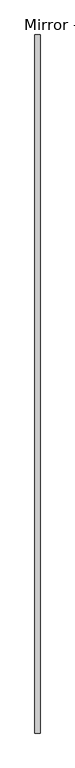
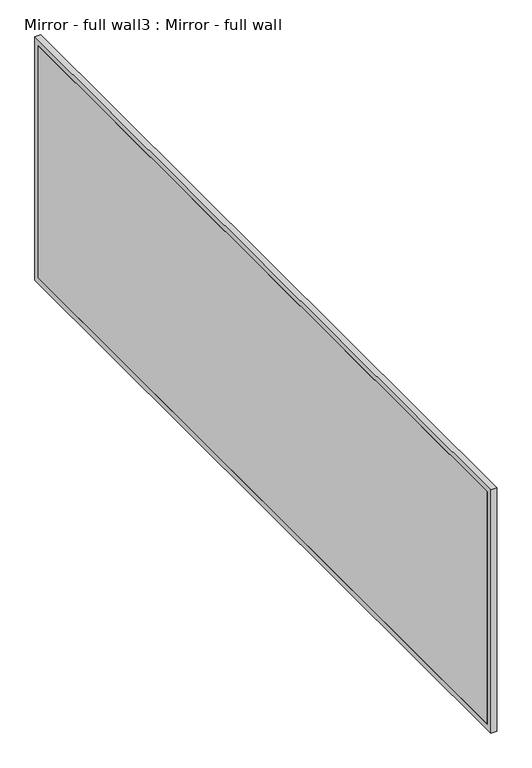
"""IFC4 building model written with IfcOpenShell, lengths in millimetres: proxy geometry, Mirror - full wall3 : Mirror - full wall."""

from ifc_helpers import new_model, si_unit, frame, origin, place, context, project, spatial, polyline, outline, extrude, source, transform, mapped, element, save


def mirror_full_wall3_mirror_full_wall_82b80493(model_context):
    return source(origin(), model_context, "Body", "SweptSolid", [
        extrude(outline(polyline([(464091.1254676, -266171.0095059), (464091.1254676, -269550.3705223), (464078.4254676, -269550.3705223), (464078.4254676, -266171.0095059), (464091.1254676, -266171.0095059)])), frame((0.0, 0.0, 1041.4), z_axis=(0.0, 0.0, 1.0), x_axis=(1.0, 0.0, 0.0)), (0.0, 0.0, 1.0), 1066.8),
        extrude(outline(polyline([(-266145.6095059, 2133.6), (-266145.6095059, 1016.0), (-269576.3733948, 1016.0), (-269576.3733948, 2133.6), (-266145.6095059, 2133.6)]), holes=[polyline([(-266171.0095059, 2108.2), (-269550.3705223, 2108.2), (-269550.3705223, 1041.4), (-266171.0095059, 1041.4), (-266171.0095059, 2108.2)])]), frame((464078.4254676, 0.0, 0.0), z_axis=(1.0, 0.0, 0.0), x_axis=(0.0, 1.0, 0.0)), (0.0, 0.0, 1.0), 25.4),
    ])


if __name__ == "__main__":
    model = new_model("IFC4")
    model_context = context("Model", 3, world=origin())
    ifc_project = project(units=[si_unit("LENGTHUNIT", "METRE", prefix="MILLI")], contexts=[model_context])
    site = spatial("IfcSite", under=ifc_project)
    building = spatial("IfcBuilding", under=site)
    placement = place(None, origin())
    mirror_full_wall3_mirror_full_wall_shape = mirror_full_wall3_mirror_full_wall_82b80493(model_context)
    element("IfcBuildingElementProxy", 1, Name="Mirror - full wall3 : Mirror - full wall", ObjectType="Mirror - full wall3 : Mirror - full wall", at=placement, inside=building, context=model_context, shape_type="MappedRepresentation", body=[
        mapped(mirror_full_wall3_mirror_full_wall_shape, transform((0.0, 0.0, 0.0), x_axis=(1.0, 0.0, 0.0), y_axis=(0.0, 1.0, 0.0), z_axis=(0.0, 0.0, 1.0))),
    ])
    save(model, "model.ifc")
